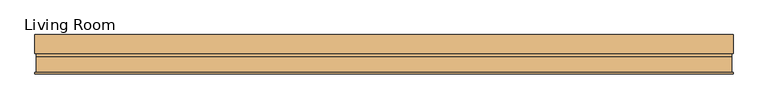
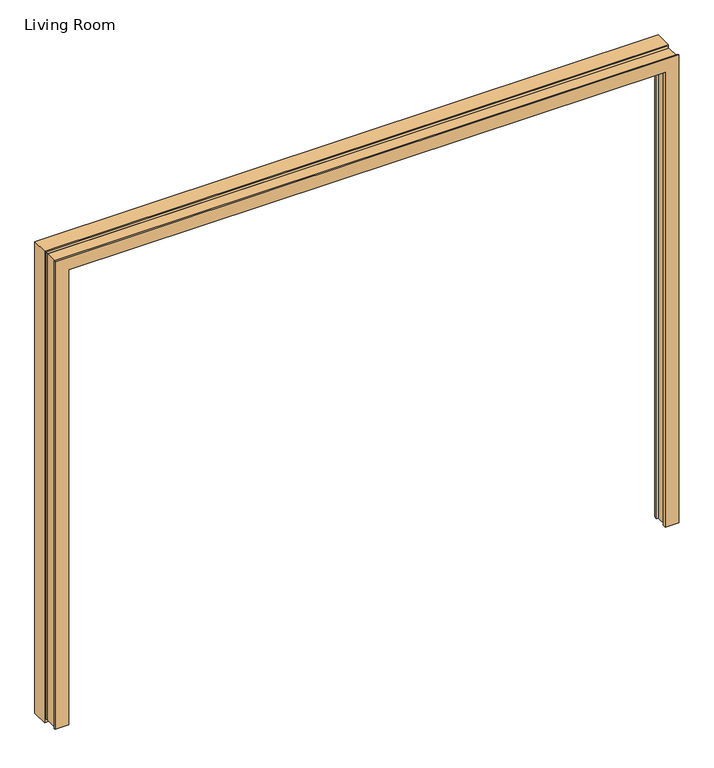
"""IFC4 building model written with IfcOpenShell, lengths in millimetres: door geometry, Living Room."""

from ifc_helpers import new_model, si_unit, frame, origin, place, context, project, spatial, polyline, outline, extrude, faceted_brep, source, transform, mapped, element, save


def living_room_dd484b43(model_context):
    return source(origin(), model_context, "Body", "SolidModel", [
        faceted_brep([(-1524.0, -79.375, 19.05), (-1524.0, -12.7, 19.05), (-1473.2, -12.7, 19.05), (-1473.2, -69.85, 19.05), (-1463.675, -69.85, 19.05), (-1463.675, -85.725, 19.05), (-1530.35, -85.725, 19.05), (-1530.35, -79.375, 19.05), (-1530.35, -79.375, 2444.75), (1530.35, -79.375, 2444.75), (1530.35, -79.375, 19.05), (1524.0, -79.375, 19.05), (1524.0, -79.375, 2438.4), (-1524.0, -79.375, 2438.4), (-1530.35, -85.725, 2444.75), (-1463.675, -85.725, 2378.075), (1463.675, -85.725, 2378.075), (1463.675, -85.725, 19.05), (1530.35, -85.725, 19.05), (1530.35, -85.725, 2444.75), (-1463.675, -69.85, 2378.075), (-1473.2, -69.85, 2387.6), (1473.2, -69.85, 2387.6), (1473.2, -69.85, 19.05), (1463.675, -69.85, 19.05), (1463.675, -69.85, 2378.075), (-1473.2, -12.7, 2387.6), (-1524.0, -12.7, 2438.4), (1524.0, -12.7, 2438.4), (1524.0, -12.7, 19.05), (1473.2, -12.7, 19.05), (1473.2, -12.7, 2387.6)], [[[0, 1, 2, 3, 4, 5, 6, 7]], [[7, 8, 9, 10, 11, 12, 13, 0]], [[6, 14, 8, 7]], [[5, 15, 16, 17, 18, 19, 14, 6]], [[4, 20, 15, 5]], [[3, 21, 22, 23, 24, 25, 20, 4]], [[2, 26, 21, 3]], [[1, 27, 28, 29, 30, 31, 26, 2]], [[0, 13, 27, 1]], [[19, 18, 10, 9]], [[11, 10, 18, 17, 24, 23, 30, 29]], [[25, 24, 17, 16]], [[31, 30, 23, 22]], [[12, 11, 29, 28]], [[14, 19, 9, 8]], [[20, 25, 16, 15]], [[26, 31, 22, 21]], [[13, 12, 28, 27]]]),
        extrude(outline(polyline([(19.05, -1463.675), (2378.075, -1463.675), (2378.075, 1463.675), (19.05, 1463.675), (19.05, 1524.0), (2438.4, 1524.0), (2438.4, -1524.0), (19.05, -1524.0), (19.05, -1463.675)])), frame((0.0, -12.7, 0.0), z_axis=(0.0, 1.0, 0.0), x_axis=(0.0, 0.0, 1.0)), (0.0, 0.0, 1.0), 15.875),
        extrude(outline(polyline([(0.0, -1511.3), (2425.7, -1511.3), (2425.7, 1511.3), (0.0, 1511.3), (0.0, 1530.35), (2444.75, 1530.35), (2444.75, -1530.35), (0.0, -1530.35), (0.0, -1511.3)])), frame((0.0, 3.175, 0.0), z_axis=(0.0, 1.0, 0.0), x_axis=(0.0, 0.0, 1.0)), (0.0, 0.0, 1.0), 82.55),
    ])


if __name__ == "__main__":
    model = new_model("IFC4")
    model_context = context("Model", 3, world=origin())
    ifc_project = project(units=[si_unit("LENGTHUNIT", "METRE", prefix="MILLI")], contexts=[model_context])
    site = spatial("IfcSite", under=ifc_project)
    building = spatial("IfcBuilding", under=site)
    placement = place(None, origin())
    living_room_shape = living_room_dd484b43(model_context)
    element("IfcDoor", 1, ObjectType="Living Room", at=placement, inside=building, context=model_context, shape_type="MappedRepresentation", body=[
        mapped(living_room_shape, transform((0.0, 0.0, 0.0), x_axis=(1.0, 0.0, 0.0), y_axis=(0.0, 1.0, 0.0), z_axis=(0.0, 0.0, 1.0))),
    ])
    save(model, "model.ifc")
